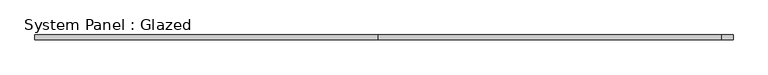
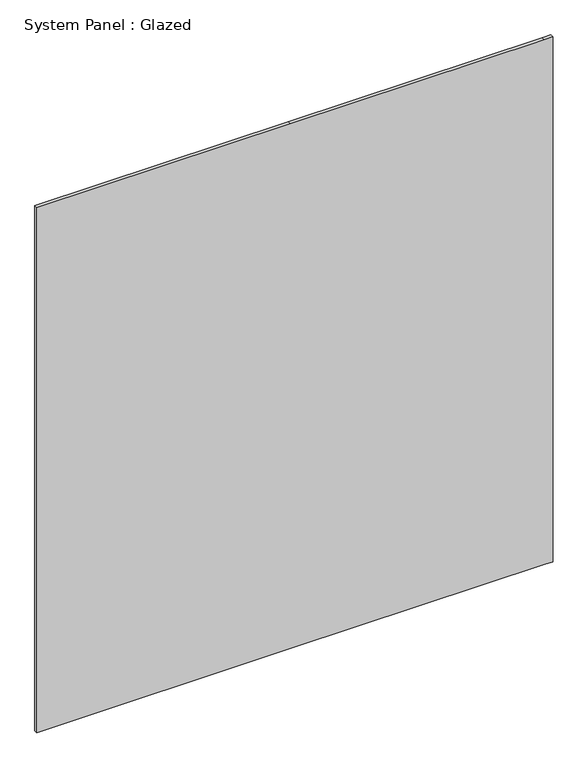
"""IFC4 building model written with IfcOpenShell, lengths in millimetres: plate geometry, System Panel : Glazed."""

from ifc_helpers import new_model, si_unit, frame, origin, place, context, project, spatial, polyline, outline, extrude, source, transform, mapped, element, save


def system_panel_glazed_ac9582d3(model_context):
    return source(origin(), model_context, "Body", "SweptSolid", [
        extrude(outline(polyline([(0.0, -1859.9999998), (0.0, -29.9999998), (0.0, 1800.0000002), (0.0, 1859.9999998), (4000.0, 1859.9999998), (4000.0, 1800.0000002), (4000.0, -29.9999998), (4000.0, -1859.9999998), (0.0, -1859.9999998)])), frame((0.0, 24.5, 0.0), z_axis=(0.0, 1.0, 0.0), x_axis=(0.0, 0.0, 1.0)), (0.0, 0.0, 1.0), 25.0),
    ])


if __name__ == "__main__":
    model = new_model("IFC4")
    model_context = context("Model", 3, world=origin())
    ifc_project = project(units=[si_unit("LENGTHUNIT", "METRE", prefix="MILLI")], contexts=[model_context])
    site = spatial("IfcSite", under=ifc_project)
    building = spatial("IfcBuilding", under=site)
    placement = place(None, origin())
    system_panel_glazed_shape = system_panel_glazed_ac9582d3(model_context)
    element("IfcPlate", 1, ObjectType="System Panel : Glazed", at=placement, inside=building, context=model_context, shape_type="MappedRepresentation", body=[
        mapped(system_panel_glazed_shape, transform((0.0, 0.0, 0.0), x_axis=(1.0, 0.0, 0.0), y_axis=(0.0, 1.0, 0.0), z_axis=(0.0, 0.0, 1.0))),
    ])
    save(model, "model.ifc")
